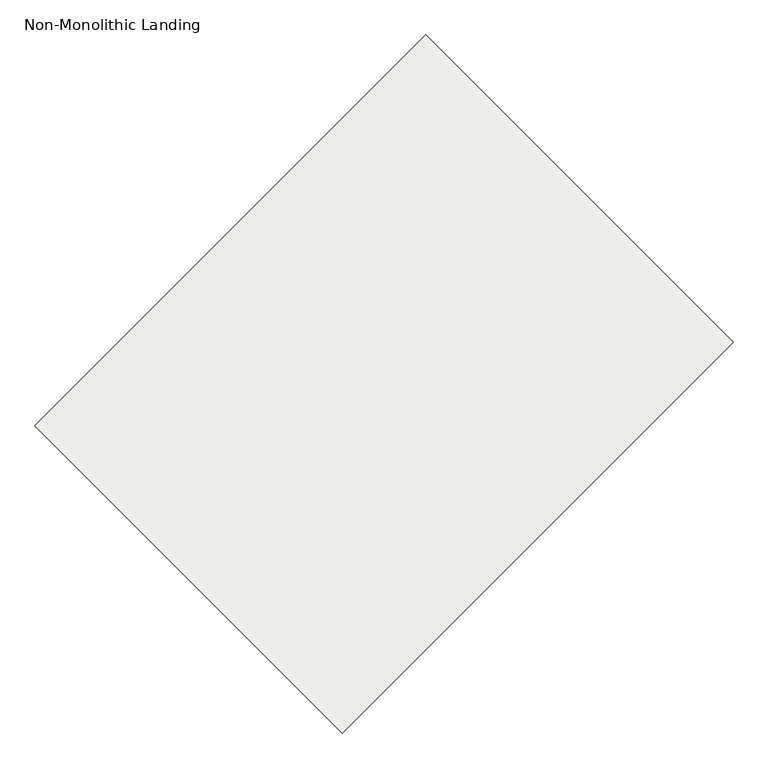
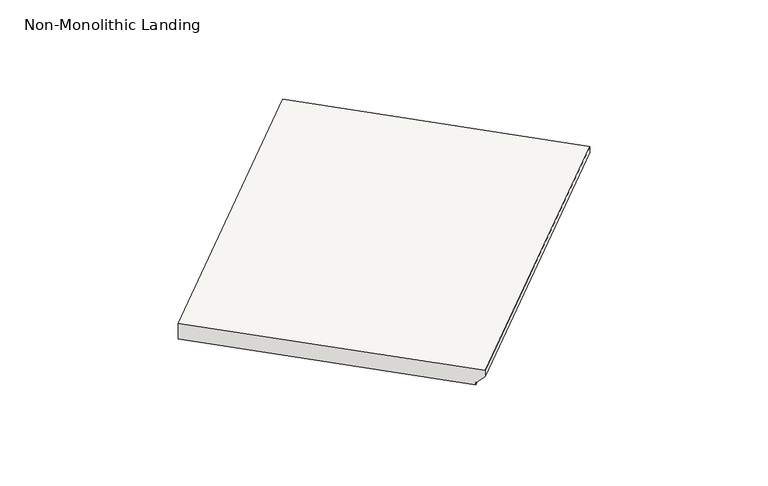
"""IFC4 building model written with IfcOpenShell, lengths in millimetres: slab geometry, Non-Monolithic Landing."""

import ifcopenshell
import ifcopenshell.guid

model = None  # the IFC model being written
_history = None  # IfcOwnerHistory: only IFC2X3 demands one
_inside = {}  # id of a spatial element -> (the spatial element, [elements in it])
_under = {}  # id of a project, library or spatial element -> (it, [spatial elements below it])
_declared = {}  # id of a project -> (the project, [libraries it declares])
_typed = {}  # id of a type object -> (the type object, [elements of that type])
_made_of = {}  # id of a material, layer set ... -> (it, [elements and type objects made of it])


def new_model(schema):
    """Start an empty IFC model of exactly this schema.

    Asked for "IFC4X3", IfcOpenShell would pick the latest addendum, in which some entities
    have other attributes; the version numbers below select the first issue.
    IFC2X3 requires an IfcOwnerHistory on every rooted entity: one is made here for all.
    """
    global model, _history
    if schema == "IFC4X3":
        model = ifcopenshell.file(schema_version=(4, 3, 0, 0))
    else:
        model = ifcopenshell.file(schema=schema)
    _inside.clear()
    _under.clear()
    _declared.clear()
    _typed.clear()
    _made_of.clear()
    _history = None
    if model.schema == "IFC2X3":
        org = make("IfcOrganization", Name="unknown")
        user = make(
            "IfcPersonAndOrganization",
            ThePerson=make("IfcPerson", FamilyName="unknown"),
            TheOrganization=org,
        )
        app = make(
            "IfcApplication",
            ApplicationDeveloper=org,
            Version="unknown",
            ApplicationFullName="unknown",
            ApplicationIdentifier="unknown",
        )
        _history = make(
            "IfcOwnerHistory",
            OwningUser=user,
            OwningApplication=app,
            ChangeAction="ADDED",
            CreationDate=0,
        )
    return model


def make(cls, **values):
    """One entity of the class cls with the attributes given. An attribute that is None is left unset."""
    return model.create_entity(
        cls, **{name: value for name, value in values.items() if value is not None}
    )


def rooted(cls, **values):
    """An entity with a GlobalId (a new one), such as an element, a storey or a relation."""
    return make(cls, GlobalId=ifcopenshell.guid.new(), OwnerHistory=_history, **values)


def si_unit(unit_type, name, prefix=None):
    """IfcSIUnit, for example si_unit("LENGTHUNIT", "METRE", prefix="MILLI")."""
    return make("IfcSIUnit", UnitType=unit_type, Prefix=prefix, Name=name)


def assignment(units):
    """IfcUnitAssignment: the units of a project."""
    return None if units is None else make("IfcUnitAssignment", Units=units)


def point(xyz):
    """IfcCartesianPoint."""
    return None if xyz is None else make("IfcCartesianPoint", Coordinates=xyz)


def direction(xyz):
    """IfcDirection."""
    return None if xyz is None else make("IfcDirection", DirectionRatios=xyz)


def frame(location, z_axis=None, x_axis=None):
    """IfcAxis2Placement3D, a coordinate frame: its origin and axes. An axis left out is left unset."""
    return make(
        "IfcAxis2Placement3D",
        Location=point(location),
        Axis=direction(z_axis),
        RefDirection=direction(x_axis),
    )


def origin():
    """The frame at (0, 0, 0) with its axes left unset."""
    return frame((0.0, 0.0, 0.0))


def place(relative_to, where):
    """IfcLocalPlacement: puts the frame where relative to a parent placement (None: the world)."""
    return make(
        "IfcLocalPlacement", PlacementRelTo=relative_to, RelativePlacement=where
    )


def context(
    kind, dimensions, precision=None, world=None, true_north=None, identifier=None
):
    """IfcGeometricRepresentationContext, for example the 3D "Model" context."""
    return make(
        "IfcGeometricRepresentationContext",
        ContextIdentifier=identifier,
        ContextType=kind,
        CoordinateSpaceDimension=dimensions,
        Precision=precision,
        WorldCoordinateSystem=world,
        TrueNorth=true_north,
    )


def project(units=None, contexts=None):
    """IfcProject with its units and contexts."""
    return rooted(
        "IfcProject",
        Name="project",
        RepresentationContexts=contexts,
        UnitsInContext=assignment(units),
    )


def spatial(cls, under=None, at=None, **own):
    """A site, building, storey or space (cls), placed at a placement, below another one or the project."""
    s = rooted(cls, ObjectPlacement=at, **own)
    if under is not None:
        _under.setdefault(under.id(), (under, []))[1].append(s)
    return s


def polyline(points):
    """IfcPolyline through the points."""
    return make("IfcPolyline", Points=[point(p) for p in points])


def outline(outer, holes=None, kind="AREA"):
    """IfcArbitraryClosedProfileDef: a profile drawn as a closed curve; with holes, ...WithVoids."""
    if holes is None:
        return make("IfcArbitraryClosedProfileDef", ProfileType=kind, OuterCurve=outer)
    return make(
        "IfcArbitraryProfileDefWithVoids",
        ProfileType=kind,
        OuterCurve=outer,
        InnerCurves=holes,
    )


def extrude(swept, where, along, depth):
    """IfcExtrudedAreaSolid: the profile swept, set in the frame where, extruded along a direction by depth."""
    return make(
        "IfcExtrudedAreaSolid",
        SweptArea=swept,
        Position=where,
        ExtrudedDirection=direction(along),
        Depth=depth,
    )


def shape(context_of_items, identifier, shape_type, items):
    """IfcShapeRepresentation: the items that make up one representation, for example the "Body"."""
    return make(
        "IfcShapeRepresentation",
        ContextOfItems=context_of_items,
        RepresentationIdentifier=identifier,
        RepresentationType=shape_type,
        Items=items,
    )


def source(mapping_origin, context_of_items, identifier, shape_type, items):
    """IfcRepresentationMap: a shape defined once, which mapped items show again and again."""
    return make(
        "IfcRepresentationMap",
        MappingOrigin=mapping_origin,
        MappedRepresentation=shape(context_of_items, identifier, shape_type, items),
    )


def transform(
    local_origin,
    x_axis=None,
    y_axis=None,
    z_axis=None,
    scale=None,
    scale2=None,
    scale3=None,
    uniform=True,
):
    """IfcCartesianTransformationOperator3D, or its non-uniform kind. x_axis, y_axis, z_axis: its Axis1, 2, 3."""
    if uniform:
        return make(
            "IfcCartesianTransformationOperator3D",
            Axis1=direction(x_axis),
            Axis2=direction(y_axis),
            LocalOrigin=point(local_origin),
            Scale=scale,
            Axis3=direction(z_axis),
        )
    return make(
        "IfcCartesianTransformationOperator3DnonUniform",
        Axis1=direction(x_axis),
        Axis2=direction(y_axis),
        LocalOrigin=point(local_origin),
        Scale=scale,
        Axis3=direction(z_axis),
        Scale2=scale2,
        Scale3=scale3,
    )


def mapped(mapping_source, mapping_target):
    """IfcMappedItem: shows the shape of a source again, moved by a transform."""
    return make(
        "IfcMappedItem", MappingSource=mapping_source, MappingTarget=mapping_target
    )


def made_of(thing, what):
    """Note that an element or type object is made of a material, layer set ...; save() writes the relation."""
    if what is not None:
        _made_of.setdefault(what.id(), (what, []))[1].append(thing)
    return thing


def element(
    cls,
    number,
    at=None,
    inside=None,
    cuts=None,
    type_object=None,
    material=None,
    context=None,
    identifier="Body",
    shape_type=None,
    held_by="IfcProductDefinitionShape",
    body=None,
    shapes=None,
    **own,
):
    """One element of the class cls, such as IfcWall. Its Tag is "e" and its number.

    at: its placement. inside: the storey or other place that contains it. cuts: it is an
    opening in that element (IfcRelVoidsElement). A single representation is given by context,
    identifier, shape_type and body (its items); several are given by shapes. held_by: the class
    of the entity that holds the representations. save() writes the other relations.
    """
    e = rooted(cls, Tag="e%d" % number, ObjectPlacement=at, **own)
    if body is not None:
        shapes = [shape(context, identifier, shape_type, body)]
    if shapes is not None:
        e.Representation = make(held_by, Representations=shapes)
    if inside is not None:
        _inside.setdefault(inside.id(), (inside, []))[1].append(e)
    if cuts is not None:
        rooted(
            "IfcRelVoidsElement", RelatingBuildingElement=cuts, RelatedOpeningElement=e
        )
    if type_object is not None:
        _typed.setdefault(type_object.id(), (type_object, []))[1].append(e)
    return made_of(e, material)


def aggregate(whole, parts):
    """IfcRelAggregates: a whole, such as a stair, and the parts it consists of."""
    return rooted("IfcRelAggregates", RelatingObject=whole, RelatedObjects=parts)


def save(model, path):
    """Write the relations noted so far, then the file.

    IfcRelAggregates (storeys below a building ...), IfcRelContainedInSpatialStructure (elements
    in a storey), IfcRelDefinesByType, IfcRelAssociatesMaterial and IfcRelDeclares: one each for
    every whole, place, type object, material and project.
    """
    for whole, parts in _under.values():
        aggregate(whole, parts)
    for where, things in _inside.values():
        rooted(
            "IfcRelContainedInSpatialStructure",
            RelatedElements=things,
            RelatingStructure=where,
        )
    for kind, things in _typed.values():
        rooted("IfcRelDefinesByType", RelatedObjects=things, RelatingType=kind)
    for what, things in _made_of.values():
        rooted("IfcRelAssociatesMaterial", RelatedObjects=things, RelatingMaterial=what)
    for by, libraries in _declared.values():
        rooted("IfcRelDeclares", RelatingContext=by, RelatedDefinitions=libraries)
    model.write(path)


def non_monolithic_landing_d434ce01(model_context):
    return source(origin(), model_context, "Body", "SweptSolid", [
        extrude(outline(polyline([(0.0, -838.2), (0.0, 0.0), (50.8, 0.0), (50.8, -812.8), (44.45, -812.8), (19.05, -838.2), (0.0, -838.2)])), frame((54022.1357118, -3599.6673453, 2870.2), z_axis=(0.7071067811865469, 0.7071067811865482, 0.0), x_axis=(0.0, 0.0, -1.0)), (0.0, 0.0, 1.0), 1066.8),
    ])


if __name__ == "__main__":
    model = new_model("IFC4")
    model_context = context("Model", 3, world=origin())
    ifc_project = project(units=[si_unit("LENGTHUNIT", "METRE", prefix="MILLI")], contexts=[model_context])
    site = spatial("IfcSite", under=ifc_project)
    building = spatial("IfcBuilding", under=site)
    placement = place(None, origin())
    non_monolithic_landing_shape = non_monolithic_landing_d434ce01(model_context)
    element("IfcSlab", 1, ObjectType="Non-Monolithic Landing", at=placement, inside=building, context=model_context, shape_type="MappedRepresentation", body=[
        mapped(non_monolithic_landing_shape, transform((0.0, 0.0, 0.0), x_axis=(1.0, 0.0, 0.0), y_axis=(0.0, 1.0, 0.0), z_axis=(0.0, 0.0, 1.0))),
    ])
    save(model, "model.ifc")
